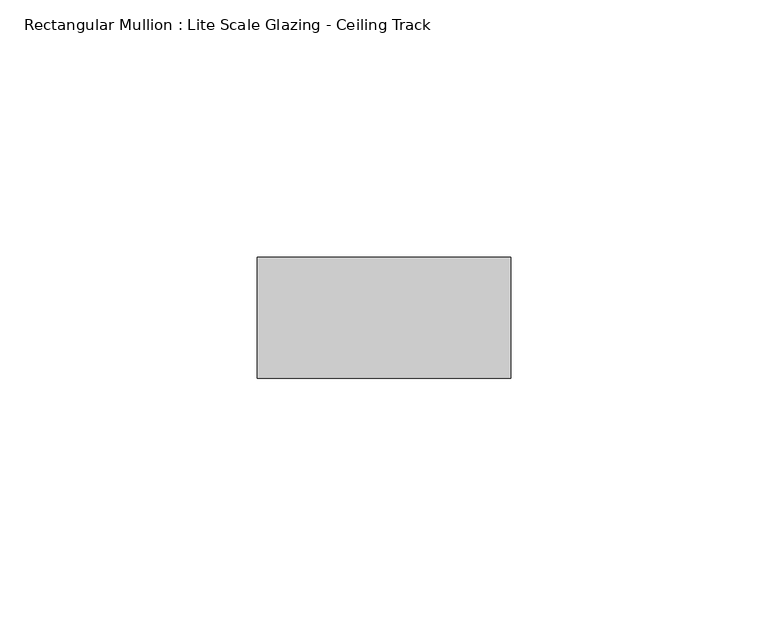
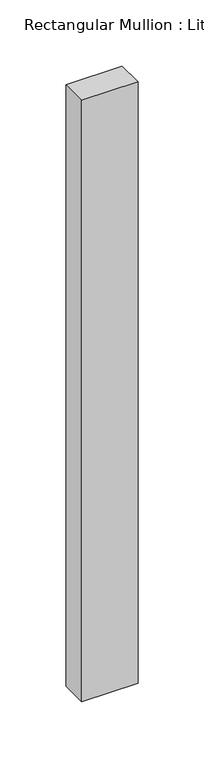
"""IFC4 building model written with IfcOpenShell, lengths in millimetres: member geometry, Rectangular Mullion : Lite Scale Glazing - Ceiling Track."""

from ifc_helpers import new_model, si_unit, frame, origin, place, context, project, spatial, polyline, outline, extrude, source, transform, mapped, element, save


def rectangular_mullion_lite_scale_glazing_ceiling_track_bb4a5379(model_context):
    return source(origin(), model_context, "Body", "SweptSolid", [
        extrude(outline(polyline([(-49.276, -11.7474999), (-49.276, 11.7474999), (0.0, 11.7474999), (0.0, -11.7474999), (-49.276, -11.7474999)])), frame((0.0, 0.0, -555.7260641), z_axis=(0.0, 0.0, 1.0), x_axis=(1.0, 0.0, 0.0)), (0.0, 0.0, 1.0), 555.7260641),
    ])


if __name__ == "__main__":
    model = new_model("IFC4")
    model_context = context("Model", 3, world=origin())
    ifc_project = project(units=[si_unit("LENGTHUNIT", "METRE", prefix="MILLI")], contexts=[model_context])
    site = spatial("IfcSite", under=ifc_project)
    building = spatial("IfcBuilding", under=site)
    placement = place(None, origin())
    rectangular_mullion_lite_scale_glazing_ceiling_track_shape = rectangular_mullion_lite_scale_glazing_ceiling_track_bb4a5379(model_context)
    element("IfcMember", 1, ObjectType="Rectangular Mullion : Lite Scale Glazing - Ceiling Track", at=placement, inside=building, context=model_context, shape_type="MappedRepresentation", body=[
        mapped(rectangular_mullion_lite_scale_glazing_ceiling_track_shape, transform((0.0, 0.0, 0.0), x_axis=(1.0, 0.0, 0.0), y_axis=(0.0, 1.0, 0.0), z_axis=(0.0, 0.0, 1.0))),
    ])
    save(model, "model.ifc")
